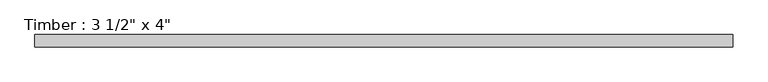
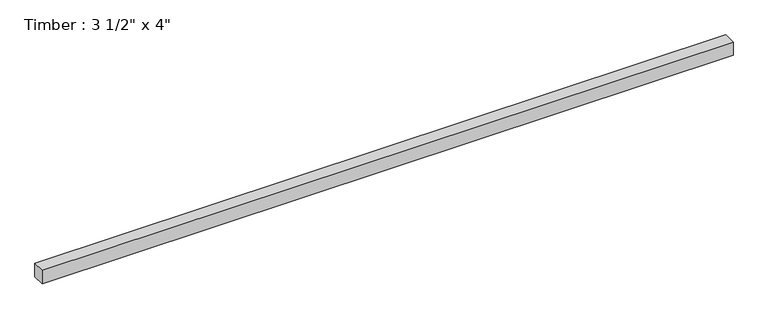
"""IFC4 building model written with IfcOpenShell, lengths in millimetres: beam geometry."""

from ifc_helpers import new_model, si_unit, frame, origin, place, context, project, spatial, polyline, outline, extrude, source, transform, mapped, element, save


def beam_2e511d8d(model_context):
    return source(origin(), model_context, "Body", "SweptSolid", [
        extrude(outline(polyline([(2478.6558367, 44.45), (2478.6558367, -44.45), (-2478.6558367, -44.45), (-2478.6558367, 44.45), (2478.6558367, 44.45)])), frame((0.0, 0.0, -50.8), z_axis=(0.0, 0.0, 1.0), x_axis=(1.0, 0.0, 0.0)), (0.0, 0.0, 1.0), 101.6),
    ])


if __name__ == "__main__":
    model = new_model("IFC4")
    model_context = context("Model", 3, world=origin())
    ifc_project = project(units=[si_unit("LENGTHUNIT", "METRE", prefix="MILLI")], contexts=[model_context])
    site = spatial("IfcSite", under=ifc_project)
    building = spatial("IfcBuilding", under=site)
    placement = place(None, origin())
    beam_shape = beam_2e511d8d(model_context)
    element("IfcBeam", 1, ObjectType="Timber : 3 1/2\" x 4\"", at=placement, inside=building, context=model_context, shape_type="MappedRepresentation", body=[
        mapped(beam_shape, transform((0.0, 0.0, 0.0), x_axis=(1.0, 0.0, 0.0), y_axis=(0.0, 1.0, 0.0), z_axis=(0.0, 0.0, 1.0))),
    ])
    save(model, "model.ifc")
